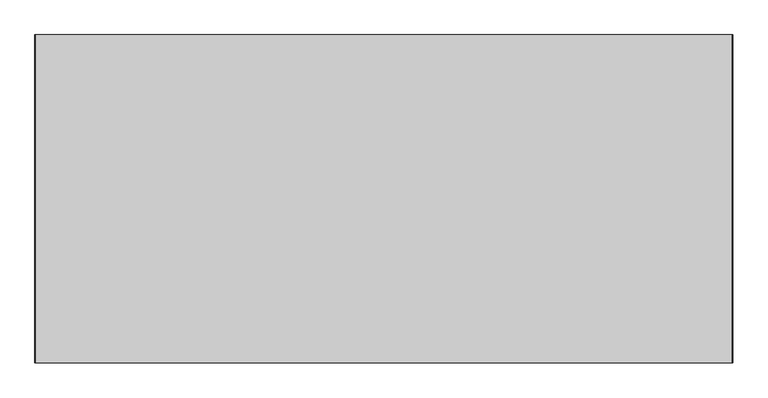
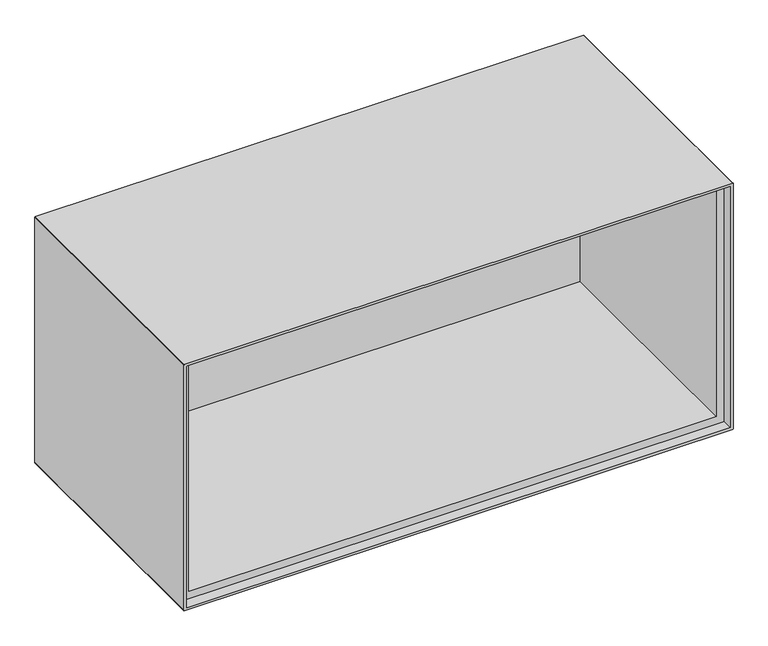
"""IFC4 building model written with IfcOpenShell, lengths in millimetres: furniture geometry."""

from ifc_helpers import new_model, si_unit, point, frame, frame_2d, origin, place, context, project, spatial, polyline, circle_curve, trimmed, segment, composite_curve, outline, extrude, source, transform, mapped, element, save


def furniture_3cfcf77c(model_context):
    return source(origin(), model_context, "Body", "SweptSolid", [
        extrude(outline(composite_curve([segment(polyline([(475.0, 499.0), (475.0, -499.0)]), True, "CONTINUOUS"), segment(trimmed(circle_curve(frame_2d((474.0, -499.0)), 1.0), [point((475.0, -499.0))], [point((474.0, -500.0))], False, "CARTESIAN"), True, "CONTINUOUS"), segment(polyline([(474.0, -500.0), (1.0, -500.0)]), True, "CONTINUOUS"), segment(trimmed(circle_curve(frame_2d((1.0, -499.0)), 1.0), [point((1.0, -500.0))], [point((0.0, -499.0))], False, "CARTESIAN"), True, "CONTINUOUS"), segment(polyline([(0.0, -499.0), (0.0, 499.0)]), True, "CONTINUOUS"), segment(trimmed(circle_curve(frame_2d((1.0, 499.0)), 1.0), [point((0.0, 499.0))], [point((1.0, 500.0))], False, "CARTESIAN"), True, "CONTINUOUS"), segment(polyline([(1.0, 500.0), (474.0, 500.0)]), True, "CONTINUOUS"), segment(trimmed(circle_curve(frame_2d((474.0, 499.0)), 1.0), [point((474.0, 500.0))], [point((475.0, 499.0))], False, "CARTESIAN"), True, "CONTINUOUS")], self_intersect=False), holes=[composite_curve([segment(trimmed(circle_curve(frame_2d((469.0, 494.0)), 1.0), [point((470.0, 494.0))], [point((469.0, 495.0))], True, "CARTESIAN"), True, "CONTINUOUS"), segment(polyline([(469.0, 495.0), (5.0000003, 495.0), (5.0000003, -495.0), (469.0, -495.0)]), True, "CONTINUOUS"), segment(trimmed(circle_curve(frame_2d((469.0, -494.0)), 1.0), [point((469.0, -495.0))], [point((470.0, -494.0))], True, "CARTESIAN"), True, "CONTINUOUS"), segment(polyline([(470.0, -494.0), (470.0, 494.0)]), True, "CONTINUOUS")], self_intersect=False)]), frame((0.0, -235.0, 0.0), z_axis=(0.0, 1.0, 0.0), x_axis=(0.0, 0.0, 1.0)), (0.0, 0.0, 1.0), 470.0),
        extrude(outline(composite_curve([segment(polyline([(470.0, 494.0), (470.0, -494.0)]), True, "CONTINUOUS"), segment(trimmed(circle_curve(frame_2d((469.0, -494.0)), 1.0), [point((470.0, -494.0))], [point((469.0, -495.0))], False, "CARTESIAN"), True, "CONTINUOUS"), segment(polyline([(469.0, -495.0), (6.0000003, -495.0)]), True, "CONTINUOUS"), segment(trimmed(circle_curve(frame_2d((6.0000003, -494.0)), 1.0), [point((6.0000003, -495.0))], [point((5.0000003, -494.0))], False, "CARTESIAN"), True, "CONTINUOUS"), segment(polyline([(5.0000003, -494.0), (5.0000003, 494.0)]), True, "CONTINUOUS"), segment(trimmed(circle_curve(frame_2d((6.0000003, 494.0)), 1.0), [point((5.0000003, 494.0))], [point((6.0000003, 495.0))], False, "CARTESIAN"), True, "CONTINUOUS"), segment(polyline([(6.0000003, 495.0), (469.0, 495.0)]), True, "CONTINUOUS"), segment(trimmed(circle_curve(frame_2d((469.0, 494.0)), 1.0), [point((469.0, 495.0))], [point((470.0, 494.0))], False, "CARTESIAN"), True, "CONTINUOUS")], self_intersect=False), holes=[composite_curve([segment(polyline([(20.0000011, -480.0), (454.0019315, -480.0)]), True, "CONTINUOUS"), segment(trimmed(circle_curve(frame_2d((454.0019315, -479.0)), 1.0), [point((454.0019315, -480.0))], [point((455.0019315, -479.0))], True, "CARTESIAN"), True, "CONTINUOUS"), segment(polyline([(455.0019315, -479.0), (455.0019315, 479.0)]), True, "CONTINUOUS"), segment(trimmed(circle_curve(frame_2d((454.0019315, 479.0)), 1.0), [point((455.0019315, 479.0))], [point((454.0019315, 480.0))], True, "CARTESIAN"), True, "CONTINUOUS"), segment(polyline([(454.0019315, 480.0), (20.0000011, 480.0), (20.0000011, -480.0)]), True, "CONTINUOUS")], self_intersect=False)]), frame((0.0, -216.0000181, 0.0), z_axis=(0.0, 1.0, 0.0), x_axis=(0.0, 0.0, 1.0)), (0.0, 0.0, 1.0), 437.4836155),
        extrude(outline(composite_curve([segment(polyline([(470.0, 495.0), (470.0, -494.0)]), True, "CONTINUOUS"), segment(trimmed(circle_curve(frame_2d((469.0, -494.0)), 1.0), [point((470.0, -494.0))], [point((469.0, -495.0))], False, "CARTESIAN"), True, "CONTINUOUS"), segment(polyline([(469.0, -495.0), (6.0000003, -495.0)]), True, "CONTINUOUS"), segment(trimmed(circle_curve(frame_2d((6.0000003, -494.0)), 1.0), [point((6.0000003, -495.0))], [point((5.0000003, -494.0))], False, "CARTESIAN"), True, "CONTINUOUS"), segment(polyline([(5.0000003, -494.0), (5.0000003, 494.0)]), True, "CONTINUOUS"), segment(trimmed(circle_curve(frame_2d((6.0000003, 494.0)), 1.0), [point((5.0000003, 494.0))], [point((6.0000003, 495.0))], False, "CARTESIAN"), True, "CONTINUOUS"), segment(polyline([(6.0000003, 495.0), (470.0, 495.0)]), True, "CONTINUOUS")], self_intersect=False)), frame((0.0, 212.7959238, 0.0), z_axis=(0.0, 1.0, 0.0), x_axis=(0.0, 0.0, 1.0)), (0.0, 0.0, 1.0), 8.6876736),
        extrude(outline(composite_curve([segment(polyline([(470.0, 495.0), (470.0, -494.0)]), True, "CONTINUOUS"), segment(trimmed(circle_curve(frame_2d((469.0, -494.0)), 1.0), [point((470.0, -494.0))], [point((469.0, -495.0))], False, "CARTESIAN"), True, "CONTINUOUS"), segment(polyline([(469.0, -495.0), (6.0000003, -495.0)]), True, "CONTINUOUS"), segment(trimmed(circle_curve(frame_2d((6.0000003, -494.0)), 1.0), [point((6.0000003, -495.0))], [point((5.0000003, -494.0))], False, "CARTESIAN"), True, "CONTINUOUS"), segment(polyline([(5.0000003, -494.0), (5.0000003, 494.0)]), True, "CONTINUOUS"), segment(trimmed(circle_curve(frame_2d((6.0000003, 494.0)), 1.0), [point((5.0000003, 494.0))], [point((6.0000003, 495.0))], False, "CARTESIAN"), True, "CONTINUOUS"), segment(polyline([(6.0000003, 495.0), (470.0, 495.0)]), True, "CONTINUOUS")], self_intersect=False)), frame((0.0, 221.4835974, 0.0), z_axis=(0.0, 1.0, 0.0), x_axis=(0.0, 0.0, 1.0)), (0.0, 0.0, 1.0), 13.5164026),
    ])


if __name__ == "__main__":
    model = new_model("IFC4")
    model_context = context("Model", 3, world=origin())
    ifc_project = project(units=[si_unit("LENGTHUNIT", "METRE", prefix="MILLI")], contexts=[model_context])
    site = spatial("IfcSite", under=ifc_project)
    building = spatial("IfcBuilding", under=site)
    placement = place(None, origin())
    furniture_shape = furniture_3cfcf77c(model_context)
    element("IfcFurniture", 1, at=placement, inside=building, context=model_context, shape_type="MappedRepresentation", body=[
        mapped(furniture_shape, transform((0.0, 0.0, 0.0), x_axis=(1.0, 0.0, 0.0), y_axis=(0.0, 1.0, 0.0), z_axis=(0.0, 0.0, 1.0))),
    ])
    save(model, "model.ifc")
